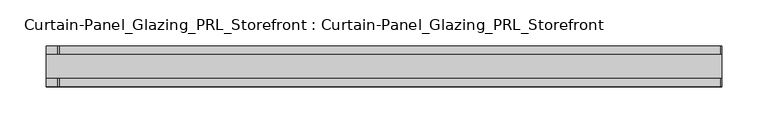
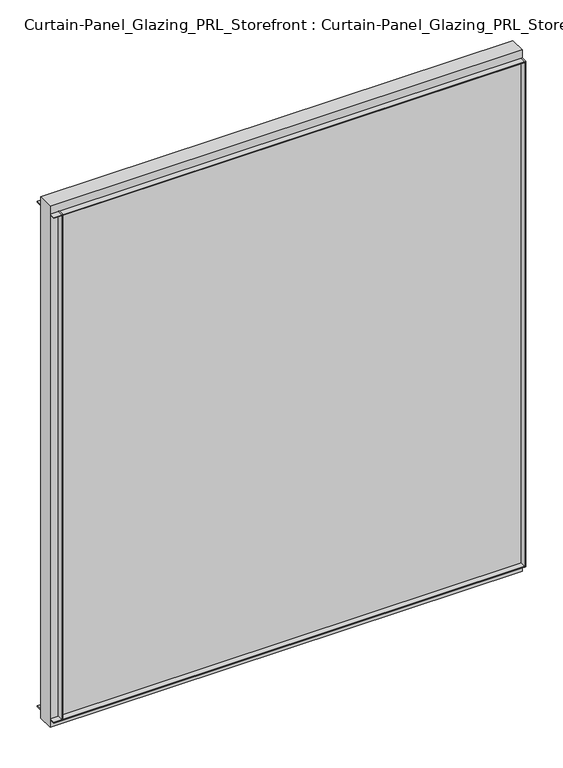
"""IFC4 building model written with IfcOpenShell, lengths in millimetres: plate geometry, Curtain-Panel_Glazing_PRL_Storefront : Curtain-Panel_Glazing_PRL_Storefront."""

from ifc_helpers import new_model, si_unit, frame, origin, origin_with_axes, place, context, project, spatial, polyline, outline, extrude, source, transform, mapped, element, save


def curtain_panel_glazing_prl_storefront_curtain_panel_glazing_7cbc799f(model_context):
    return source(origin(), model_context, "Body", "SweptSolid", [
        extrude(outline(polyline([(338.6666667, -22.225), (337.0791667, -22.225), (337.0791667, -12.7), (338.6666667, -12.7), (338.6666667, -22.225)])), frame((0.0, 0.0, 12.7), z_axis=(0.0, 0.0, 1.0), x_axis=(1.0, 0.0, 0.0)), (0.0, 0.0, 1.0), 831.85),
        extrude(outline(polyline([(338.6666667, 22.225), (338.6666667, 12.7), (337.0791667, 12.7), (337.0791667, 22.225), (338.6666667, 22.225)])), frame((0.0, 0.0, 12.7), z_axis=(0.0, 0.0, 1.0), x_axis=(1.0, 0.0, 0.0)), (0.0, 0.0, 1.0), 831.85),
        extrude(outline(polyline([(-383.1166667, -22.225), (-383.1166667, -12.7), (-381.5291667, -12.7), (-381.5291667, -22.225), (-383.1166667, -22.225)])), frame((0.0, 0.0, 12.7), z_axis=(0.0, 0.0, 1.0), x_axis=(1.0, 0.0, 0.0)), (0.0, 0.0, 1.0), 831.85),
        extrude(outline(polyline([(-383.1166667, 22.225), (-381.5291667, 22.225), (-381.5291667, 12.7), (-383.1166667, 12.7), (-383.1166667, 22.225)])), frame((0.0, 0.0, 12.7), z_axis=(0.0, 0.0, 1.0), x_axis=(1.0, 0.0, 0.0)), (0.0, 0.0, 1.0), 831.85),
        extrude(outline(polyline([(338.6666667, 12.7), (338.6666667, -12.7), (-395.8166667, -12.7), (-395.8166667, 12.7), (338.6666667, 12.7)])), origin_with_axes(), (0.0, 0.0, 1.0), 857.25),
        extrude(outline(polyline([(-395.8166667, -22.225), (-395.8166667, -12.7), (338.6666667, -12.7), (338.6666667, -22.225), (-395.8166667, -22.225)])), frame((0.0, 0.0, 842.9625), z_axis=(0.0, 0.0, 1.0), x_axis=(1.0, 0.0, 0.0)), (0.0, 0.0, 1.0), 1.5875),
        extrude(outline(polyline([(-395.8166667, 22.225), (338.6666667, 22.225), (338.6666667, 12.7), (-395.8166667, 12.7), (-395.8166667, 22.225)])), frame((0.0, 0.0, 842.9625), z_axis=(0.0, 0.0, 1.0), x_axis=(1.0, 0.0, 0.0)), (0.0, 0.0, 1.0), 1.5875),
        extrude(outline(polyline([(-395.8166667, -22.225), (-395.8166667, -12.7), (338.6666667, -12.7), (338.6666667, -22.225), (-395.8166667, -22.225)])), frame((0.0, 0.0, 12.7), z_axis=(0.0, 0.0, 1.0), x_axis=(1.0, 0.0, 0.0)), (0.0, 0.0, 1.0), 1.5875),
        extrude(outline(polyline([(-395.8166667, 22.225), (338.6666667, 22.225), (338.6666667, 12.7), (-395.8166667, 12.7), (-395.8166667, 22.225)])), frame((0.0, 0.0, 12.7), z_axis=(0.0, 0.0, 1.0), x_axis=(1.0, 0.0, 0.0)), (0.0, 0.0, 1.0), 1.5875),
    ])


if __name__ == "__main__":
    model = new_model("IFC4")
    model_context = context("Model", 3, world=origin())
    ifc_project = project(units=[si_unit("LENGTHUNIT", "METRE", prefix="MILLI")], contexts=[model_context])
    site = spatial("IfcSite", under=ifc_project)
    building = spatial("IfcBuilding", under=site)
    placement = place(None, origin())
    curtain_panel_glazing_prl_storefront_curtain_panel_glazing_shape = curtain_panel_glazing_prl_storefront_curtain_panel_glazing_7cbc799f(model_context)
    element("IfcPlate", 1, ObjectType="Curtain-Panel_Glazing_PRL_Storefront : Curtain-Panel_Glazing_PRL_Storefront", at=placement, inside=building, context=model_context, shape_type="MappedRepresentation", body=[
        mapped(curtain_panel_glazing_prl_storefront_curtain_panel_glazing_shape, transform((0.0, 0.0, 0.0), x_axis=(1.0, 0.0, 0.0), y_axis=(0.0, 1.0, 0.0), z_axis=(0.0, 0.0, 1.0))),
    ])
    save(model, "model.ifc")
